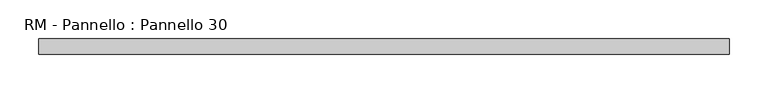
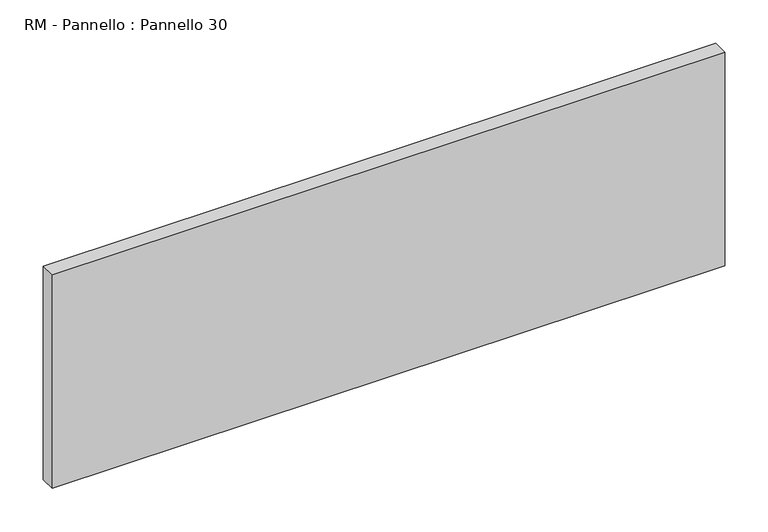
"""IFC4 building model written with IfcOpenShell, lengths in millimetres: plate geometry, RM - Pannello : Pannello 30."""

import ifcopenshell
import ifcopenshell.guid

model = None  # the IFC model being written
_history = None  # IfcOwnerHistory: only IFC2X3 demands one
_inside = {}  # id of a spatial element -> (the spatial element, [elements in it])
_under = {}  # id of a project, library or spatial element -> (it, [spatial elements below it])
_declared = {}  # id of a project -> (the project, [libraries it declares])
_typed = {}  # id of a type object -> (the type object, [elements of that type])
_made_of = {}  # id of a material, layer set ... -> (it, [elements and type objects made of it])


def new_model(schema):
    """Start an empty IFC model of exactly this schema.

    Asked for "IFC4X3", IfcOpenShell would pick the latest addendum, in which some entities
    have other attributes; the version numbers below select the first issue.
    IFC2X3 requires an IfcOwnerHistory on every rooted entity: one is made here for all.
    """
    global model, _history
    if schema == "IFC4X3":
        model = ifcopenshell.file(schema_version=(4, 3, 0, 0))
    else:
        model = ifcopenshell.file(schema=schema)
    _inside.clear()
    _under.clear()
    _declared.clear()
    _typed.clear()
    _made_of.clear()
    _history = None
    if model.schema == "IFC2X3":
        org = make("IfcOrganization", Name="unknown")
        user = make(
            "IfcPersonAndOrganization",
            ThePerson=make("IfcPerson", FamilyName="unknown"),
            TheOrganization=org,
        )
        app = make(
            "IfcApplication",
            ApplicationDeveloper=org,
            Version="unknown",
            ApplicationFullName="unknown",
            ApplicationIdentifier="unknown",
        )
        _history = make(
            "IfcOwnerHistory",
            OwningUser=user,
            OwningApplication=app,
            ChangeAction="ADDED",
            CreationDate=0,
        )
    return model


def make(cls, **values):
    """One entity of the class cls with the attributes given. An attribute that is None is left unset."""
    return model.create_entity(
        cls, **{name: value for name, value in values.items() if value is not None}
    )


def rooted(cls, **values):
    """An entity with a GlobalId (a new one), such as an element, a storey or a relation."""
    return make(cls, GlobalId=ifcopenshell.guid.new(), OwnerHistory=_history, **values)


def si_unit(unit_type, name, prefix=None):
    """IfcSIUnit, for example si_unit("LENGTHUNIT", "METRE", prefix="MILLI")."""
    return make("IfcSIUnit", UnitType=unit_type, Prefix=prefix, Name=name)


def assignment(units):
    """IfcUnitAssignment: the units of a project."""
    return None if units is None else make("IfcUnitAssignment", Units=units)


def point(xyz):
    """IfcCartesianPoint."""
    return None if xyz is None else make("IfcCartesianPoint", Coordinates=xyz)


def direction(xyz):
    """IfcDirection."""
    return None if xyz is None else make("IfcDirection", DirectionRatios=xyz)


def frame(location, z_axis=None, x_axis=None):
    """IfcAxis2Placement3D, a coordinate frame: its origin and axes. An axis left out is left unset."""
    return make(
        "IfcAxis2Placement3D",
        Location=point(location),
        Axis=direction(z_axis),
        RefDirection=direction(x_axis),
    )


def origin():
    """The frame at (0, 0, 0) with its axes left unset."""
    return frame((0.0, 0.0, 0.0))


def origin_with_axes():
    """The frame at (0, 0, 0) with the z axis (0, 0, 1) and the x axis (1, 0, 0) written out."""
    return frame((0.0, 0.0, 0.0), z_axis=(0.0, 0.0, 1.0), x_axis=(1.0, 0.0, 0.0))


def place(relative_to, where):
    """IfcLocalPlacement: puts the frame where relative to a parent placement (None: the world)."""
    return make(
        "IfcLocalPlacement", PlacementRelTo=relative_to, RelativePlacement=where
    )


def context(
    kind, dimensions, precision=None, world=None, true_north=None, identifier=None
):
    """IfcGeometricRepresentationContext, for example the 3D "Model" context."""
    return make(
        "IfcGeometricRepresentationContext",
        ContextIdentifier=identifier,
        ContextType=kind,
        CoordinateSpaceDimension=dimensions,
        Precision=precision,
        WorldCoordinateSystem=world,
        TrueNorth=true_north,
    )


def project(units=None, contexts=None):
    """IfcProject with its units and contexts."""
    return rooted(
        "IfcProject",
        Name="project",
        RepresentationContexts=contexts,
        UnitsInContext=assignment(units),
    )


def spatial(cls, under=None, at=None, **own):
    """A site, building, storey or space (cls), placed at a placement, below another one or the project."""
    s = rooted(cls, ObjectPlacement=at, **own)
    if under is not None:
        _under.setdefault(under.id(), (under, []))[1].append(s)
    return s


def polyline(points):
    """IfcPolyline through the points."""
    return make("IfcPolyline", Points=[point(p) for p in points])


def outline(outer, holes=None, kind="AREA"):
    """IfcArbitraryClosedProfileDef: a profile drawn as a closed curve; with holes, ...WithVoids."""
    if holes is None:
        return make("IfcArbitraryClosedProfileDef", ProfileType=kind, OuterCurve=outer)
    return make(
        "IfcArbitraryProfileDefWithVoids",
        ProfileType=kind,
        OuterCurve=outer,
        InnerCurves=holes,
    )


def extrude(swept, where, along, depth):
    """IfcExtrudedAreaSolid: the profile swept, set in the frame where, extruded along a direction by depth."""
    return make(
        "IfcExtrudedAreaSolid",
        SweptArea=swept,
        Position=where,
        ExtrudedDirection=direction(along),
        Depth=depth,
    )


def shape(context_of_items, identifier, shape_type, items):
    """IfcShapeRepresentation: the items that make up one representation, for example the "Body"."""
    return make(
        "IfcShapeRepresentation",
        ContextOfItems=context_of_items,
        RepresentationIdentifier=identifier,
        RepresentationType=shape_type,
        Items=items,
    )


def source(mapping_origin, context_of_items, identifier, shape_type, items):
    """IfcRepresentationMap: a shape defined once, which mapped items show again and again."""
    return make(
        "IfcRepresentationMap",
        MappingOrigin=mapping_origin,
        MappedRepresentation=shape(context_of_items, identifier, shape_type, items),
    )


def transform(
    local_origin,
    x_axis=None,
    y_axis=None,
    z_axis=None,
    scale=None,
    scale2=None,
    scale3=None,
    uniform=True,
):
    """IfcCartesianTransformationOperator3D, or its non-uniform kind. x_axis, y_axis, z_axis: its Axis1, 2, 3."""
    if uniform:
        return make(
            "IfcCartesianTransformationOperator3D",
            Axis1=direction(x_axis),
            Axis2=direction(y_axis),
            LocalOrigin=point(local_origin),
            Scale=scale,
            Axis3=direction(z_axis),
        )
    return make(
        "IfcCartesianTransformationOperator3DnonUniform",
        Axis1=direction(x_axis),
        Axis2=direction(y_axis),
        LocalOrigin=point(local_origin),
        Scale=scale,
        Axis3=direction(z_axis),
        Scale2=scale2,
        Scale3=scale3,
    )


def mapped(mapping_source, mapping_target):
    """IfcMappedItem: shows the shape of a source again, moved by a transform."""
    return make(
        "IfcMappedItem", MappingSource=mapping_source, MappingTarget=mapping_target
    )


def made_of(thing, what):
    """Note that an element or type object is made of a material, layer set ...; save() writes the relation."""
    if what is not None:
        _made_of.setdefault(what.id(), (what, []))[1].append(thing)
    return thing


def element(
    cls,
    number,
    at=None,
    inside=None,
    cuts=None,
    type_object=None,
    material=None,
    context=None,
    identifier="Body",
    shape_type=None,
    held_by="IfcProductDefinitionShape",
    body=None,
    shapes=None,
    **own,
):
    """One element of the class cls, such as IfcWall. Its Tag is "e" and its number.

    at: its placement. inside: the storey or other place that contains it. cuts: it is an
    opening in that element (IfcRelVoidsElement). A single representation is given by context,
    identifier, shape_type and body (its items); several are given by shapes. held_by: the class
    of the entity that holds the representations. save() writes the other relations.
    """
    e = rooted(cls, Tag="e%d" % number, ObjectPlacement=at, **own)
    if body is not None:
        shapes = [shape(context, identifier, shape_type, body)]
    if shapes is not None:
        e.Representation = make(held_by, Representations=shapes)
    if inside is not None:
        _inside.setdefault(inside.id(), (inside, []))[1].append(e)
    if cuts is not None:
        rooted(
            "IfcRelVoidsElement", RelatingBuildingElement=cuts, RelatedOpeningElement=e
        )
    if type_object is not None:
        _typed.setdefault(type_object.id(), (type_object, []))[1].append(e)
    return made_of(e, material)


def aggregate(whole, parts):
    """IfcRelAggregates: a whole, such as a stair, and the parts it consists of."""
    return rooted("IfcRelAggregates", RelatingObject=whole, RelatedObjects=parts)


def save(model, path):
    """Write the relations noted so far, then the file.

    IfcRelAggregates (storeys below a building ...), IfcRelContainedInSpatialStructure (elements
    in a storey), IfcRelDefinesByType, IfcRelAssociatesMaterial and IfcRelDeclares: one each for
    every whole, place, type object, material and project.
    """
    for whole, parts in _under.values():
        aggregate(whole, parts)
    for where, things in _inside.values():
        rooted(
            "IfcRelContainedInSpatialStructure",
            RelatedElements=things,
            RelatingStructure=where,
        )
    for kind, things in _typed.values():
        rooted("IfcRelDefinesByType", RelatedObjects=things, RelatingType=kind)
    for what, things in _made_of.values():
        rooted("IfcRelAssociatesMaterial", RelatedObjects=things, RelatingMaterial=what)
    for by, libraries in _declared.values():
        rooted("IfcRelDeclares", RelatingContext=by, RelatedDefinitions=libraries)
    model.write(path)


def rm_pannello_pannello_30_60069c1a(model_context):
    return source(origin(), model_context, "Body", "SweptSolid", [
        extrude(outline(polyline([(447.0, -200.0), (-447.0, -200.0), (-447.0, -180.0), (447.0, -180.0), (447.0, -200.0)])), origin_with_axes(), (0.0, 0.0, 1.0), 300.0),
    ])


if __name__ == "__main__":
    model = new_model("IFC4")
    model_context = context("Model", 3, world=origin())
    ifc_project = project(units=[si_unit("LENGTHUNIT", "METRE", prefix="MILLI")], contexts=[model_context])
    site = spatial("IfcSite", under=ifc_project)
    building = spatial("IfcBuilding", under=site)
    placement = place(None, origin())
    rm_pannello_pannello_30_shape = rm_pannello_pannello_30_60069c1a(model_context)
    element("IfcPlate", 1, ObjectType="RM - Pannello : Pannello 30", at=placement, inside=building, context=model_context, shape_type="MappedRepresentation", body=[
        mapped(rm_pannello_pannello_30_shape, transform((0.0, 0.0, 0.0), x_axis=(1.0, 0.0, 0.0), y_axis=(0.0, 1.0, 0.0), z_axis=(0.0, 0.0, 1.0))),
    ])
    save(model, "model.ifc")
